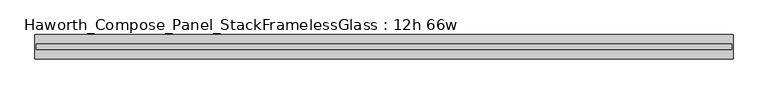
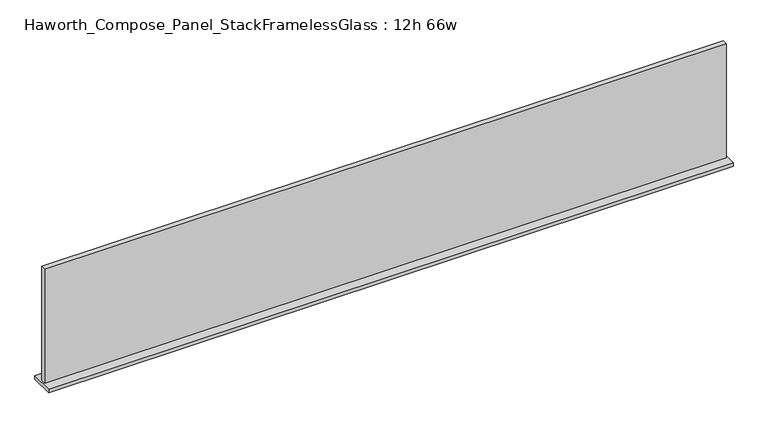
"""IFC4 building model written with IfcOpenShell, lengths in millimetres: furniture geometry, Haworth_Compose_Panel_StackFramelessGlass : 12h 66w."""

from ifc_helpers import new_model, si_unit, frame, origin, place, context, project, spatial, polyline, outline, extrude, source, transform, mapped, element, save


def haworth_compose_panel_stackframelessglass_12h_66w_1a66c8cf(model_context):
    return source(origin(), model_context, "Body", "SweptSolid", [
        extrude(outline(polyline([(837.4652902, -27.3093594), (-832.5847098, -27.3093594), (-832.5847098, -14.6093594), (837.4652902, -14.6093594), (837.4652902, -27.3093594)])), frame((0.0, 0.0, 1279.525), z_axis=(0.0, 0.0, 1.0), x_axis=(1.0, 0.0, 0.0)), (0.0, 0.0, 1.0), 295.275),
        extrude(outline(polyline([(-835.7597098, -50.3281094), (-835.7597098, 8.4093906), (840.6402902, 8.4093906), (840.6402902, -50.3281094), (-835.7597098, -50.3281094)])), frame((0.0, 0.0, 1270.0), z_axis=(0.0, 0.0, 1.0), x_axis=(1.0, 0.0, 0.0)), (0.0, 0.0, 1.0), 9.525),
    ])


if __name__ == "__main__":
    model = new_model("IFC4")
    model_context = context("Model", 3, world=origin())
    ifc_project = project(units=[si_unit("LENGTHUNIT", "METRE", prefix="MILLI")], contexts=[model_context])
    site = spatial("IfcSite", under=ifc_project)
    building = spatial("IfcBuilding", under=site)
    placement = place(None, origin())
    haworth_compose_panel_stackframelessglass_12h_66w_shape = haworth_compose_panel_stackframelessglass_12h_66w_1a66c8cf(model_context)
    element("IfcFurniture", 1, ObjectType="Haworth_Compose_Panel_StackFramelessGlass : 12h 66w", at=placement, inside=building, context=model_context, shape_type="MappedRepresentation", body=[
        mapped(haworth_compose_panel_stackframelessglass_12h_66w_shape, transform((0.0, 0.0, 0.0), x_axis=(1.0, 0.0, 0.0), y_axis=(0.0, 1.0, 0.0), z_axis=(0.0, 0.0, 1.0))),
    ])
    save(model, "model.ifc")
